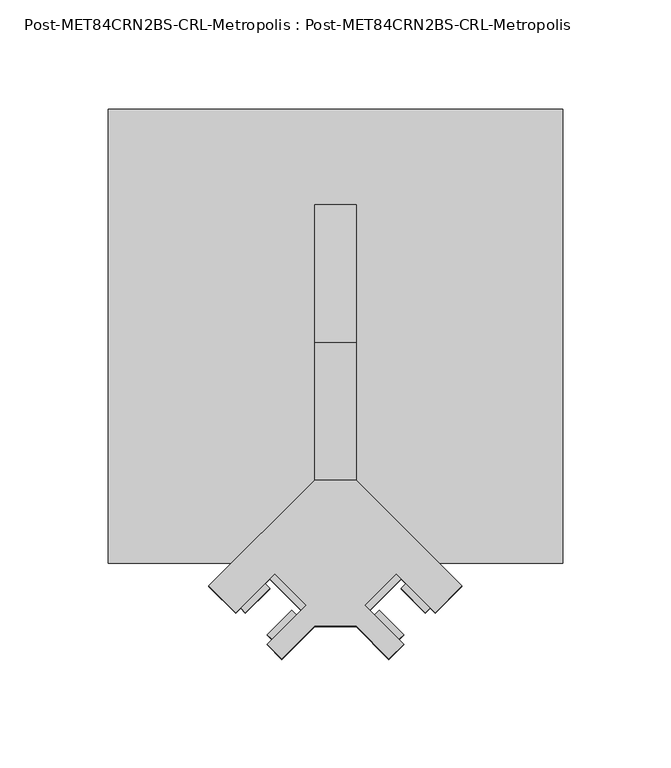
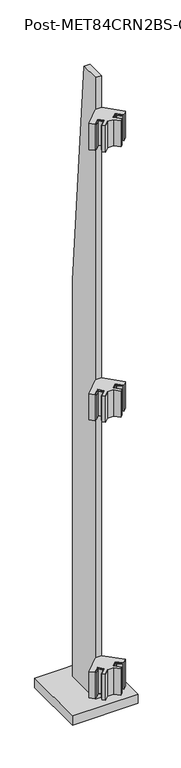
"""IFC4 building model written with IfcOpenShell, lengths in millimetres: proxy geometry, Post-MET84CRN2BS-CRL-Metropolis : Post-MET84CRN2BS-CRL-Metropolis."""

from ifc_helpers import new_model, si_unit, frame, origin, origin_with_axes, place, context, project, spatial, polyline, outline, extrude, source, transform, mapped, element, save


def post_met84crn2bs_crl_metropolis_post_met84crn2bs_crl_6fae2a08(model_context):
    return source(origin(), model_context, "Body", "SweptSolid", [
        extrude(outline(polyline([(31.4308964, -151.9874332), (24.6957043, -158.7226252), (9.525, -143.5519209), (-9.525, -143.5519209), (-24.6957043, -158.7226252), (-31.4308964, -151.9874332), (-13.4703842, -134.0269209), (-28.0633004, -119.4340047), (-46.0238126, -137.394517), (-58.3716648, -125.0466648), (-9.525, -76.2), (9.525, -76.2), (58.3716648, -125.0466648), (46.0238126, -137.394517), (28.0633004, -119.4340047), (13.4703842, -134.0269209), (31.4308964, -151.9874332)])), frame((0.0, 0.0, 1936.75), z_axis=(0.0, 0.0, 1.0), x_axis=(1.0, 0.0, 0.0)), (0.0, 0.0, 1.0), 88.9),
        extrude(outline(polyline([(-20.2055763, -136.2719849), (-17.9605122, -138.517049), (-29.1858324, -149.7423691), (-31.4308964, -147.4973051), (-20.2055763, -136.2719849)])), frame((0.0, 0.0, 1939.925), z_axis=(0.0, 0.0, 1.0), x_axis=(1.0, 0.0, 0.0)), (0.0, 0.0, 1.0), 82.55),
        extrude(outline(polyline([(-30.3083644, -126.1691968), (-41.5336846, -137.394517), (-43.7787486, -135.1494529), (-32.5534284, -123.9241328), (-30.3083644, -126.1691968)])), frame((0.0, 0.0, 1939.925), z_axis=(0.0, 0.0, 1.0), x_axis=(1.0, 0.0, 0.0)), (0.0, 0.0, 1.0), 82.55),
        extrude(outline(polyline([(-15.7154482, -136.2719849), (-30.3083644, -121.6790687), (-28.0633004, -119.4340047), (-13.4703842, -134.0269209), (-15.7154482, -136.2719849)])), frame((0.0, 0.0, 1939.925), z_axis=(0.0, 0.0, 1.0), x_axis=(1.0, 0.0, 0.0)), (0.0, 0.0, 1.0), 82.55),
        extrude(outline(polyline([(31.4308964, -147.4973051), (29.1858324, -149.7423691), (17.9605122, -138.517049), (20.2055763, -136.2719849), (31.4308964, -147.4973051)])), frame((0.0, 0.0, 1939.925), z_axis=(0.0, 0.0, 1.0), x_axis=(1.0, 0.0, 0.0)), (0.0, 0.0, 1.0), 82.55),
        extrude(outline(polyline([(30.3083644, -126.1691968), (32.5534284, -123.9241328), (43.7787486, -135.1494529), (41.5336846, -137.394517), (30.3083644, -126.1691968)])), frame((0.0, 0.0, 1939.925), z_axis=(0.0, 0.0, 1.0), x_axis=(1.0, 0.0, 0.0)), (0.0, 0.0, 1.0), 82.55),
        extrude(outline(polyline([(30.3083644, -121.6790687), (15.7154482, -136.2719849), (13.4703842, -134.0269209), (28.0633004, -119.4340047), (30.3083644, -121.6790687)])), frame((0.0, 0.0, 1939.925), z_axis=(0.0, 0.0, 1.0), x_axis=(1.0, 0.0, 0.0)), (0.0, 0.0, 1.0), 82.55),
        extrude(outline(polyline([(31.4308964, -151.9874332), (24.6957043, -158.7226252), (9.525, -143.5519209), (-9.525, -143.5519209), (-24.6957043, -158.7226252), (-31.4308964, -151.9874332), (-13.4703842, -134.0269209), (-28.0633004, -119.4340047), (-46.0238126, -137.394517), (-58.3716648, -125.0466648), (-9.525, -76.2), (9.525, -76.2), (58.3716648, -125.0466648), (46.0238126, -137.394517), (28.0633004, -119.4340047), (13.4703842, -134.0269209), (31.4308964, -151.9874332)])), frame((0.0, 0.0, 1022.35), z_axis=(0.0, 0.0, 1.0), x_axis=(1.0, 0.0, 0.0)), (0.0, 0.0, 1.0), 88.9),
        extrude(outline(polyline([(-20.2055763, -136.2719849), (-17.9605122, -138.517049), (-29.1858324, -149.7423691), (-31.4308964, -147.4973051), (-20.2055763, -136.2719849)])), frame((0.0, 0.0, 1025.525), z_axis=(0.0, 0.0, 1.0), x_axis=(1.0, 0.0, 0.0)), (0.0, 0.0, 1.0), 82.55),
        extrude(outline(polyline([(-30.3083644, -126.1691968), (-41.5336846, -137.394517), (-43.7787486, -135.1494529), (-32.5534284, -123.9241328), (-30.3083644, -126.1691968)])), frame((0.0, 0.0, 1025.525), z_axis=(0.0, 0.0, 1.0), x_axis=(1.0, 0.0, 0.0)), (0.0, 0.0, 1.0), 82.55),
        extrude(outline(polyline([(-15.7154482, -136.2719849), (-30.3083644, -121.6790687), (-28.0633004, -119.4340047), (-13.4703842, -134.0269209), (-15.7154482, -136.2719849)])), frame((0.0, 0.0, 1025.525), z_axis=(0.0, 0.0, 1.0), x_axis=(1.0, 0.0, 0.0)), (0.0, 0.0, 1.0), 82.55),
        extrude(outline(polyline([(31.4308964, -147.4973051), (29.1858324, -149.7423691), (17.9605122, -138.517049), (20.2055763, -136.2719849), (31.4308964, -147.4973051)])), frame((0.0, 0.0, 1025.525), z_axis=(0.0, 0.0, 1.0), x_axis=(1.0, 0.0, 0.0)), (0.0, 0.0, 1.0), 82.55),
        extrude(outline(polyline([(30.3083644, -126.1691968), (32.5534284, -123.9241328), (43.7787486, -135.1494529), (41.5336846, -137.394517), (30.3083644, -126.1691968)])), frame((0.0, 0.0, 1025.525), z_axis=(0.0, 0.0, 1.0), x_axis=(1.0, 0.0, 0.0)), (0.0, 0.0, 1.0), 82.55),
        extrude(outline(polyline([(30.3083644, -121.6790687), (15.7154482, -136.2719849), (13.4703842, -134.0269209), (28.0633004, -119.4340047), (30.3083644, -121.6790687)])), frame((0.0, 0.0, 1025.525), z_axis=(0.0, 0.0, 1.0), x_axis=(1.0, 0.0, 0.0)), (0.0, 0.0, 1.0), 82.55),
        extrude(outline(polyline([(31.4308964, -151.9874332), (24.6957043, -158.7226252), (9.525, -143.5519209), (-9.525, -143.5519209), (-24.6957043, -158.7226252), (-31.4308964, -151.9874332), (-13.4703842, -134.0269209), (-28.0633004, -119.4340047), (-46.0238126, -137.394517), (-58.3716648, -125.0466648), (-9.525, -76.2), (9.525, -76.2), (58.3716648, -125.0466648), (46.0238126, -137.394517), (28.0633004, -119.4340047), (13.4703842, -134.0269209), (31.4308964, -151.9874332)])), frame((0.0, 0.0, 82.55), z_axis=(0.0, 0.0, 1.0), x_axis=(1.0, 0.0, 0.0)), (0.0, 0.0, 1.0), 88.9),
        extrude(outline(polyline([(-20.2055763, -136.2719849), (-17.9605122, -138.517049), (-29.1858324, -149.7423691), (-31.4308964, -147.4973051), (-20.2055763, -136.2719849)])), frame((0.0, 0.0, 85.725), z_axis=(0.0, 0.0, 1.0), x_axis=(1.0, 0.0, 0.0)), (0.0, 0.0, 1.0), 82.55),
        extrude(outline(polyline([(-30.3083644, -126.1691968), (-41.5336846, -137.394517), (-43.7787486, -135.1494529), (-32.5534284, -123.9241328), (-30.3083644, -126.1691968)])), frame((0.0, 0.0, 85.725), z_axis=(0.0, 0.0, 1.0), x_axis=(1.0, 0.0, 0.0)), (0.0, 0.0, 1.0), 82.55),
        extrude(outline(polyline([(-15.7154482, -136.2719849), (-30.3083644, -121.6790687), (-28.0633004, -119.4340047), (-13.4703842, -134.0269209), (-15.7154482, -136.2719849)])), frame((0.0, 0.0, 85.725), z_axis=(0.0, 0.0, 1.0), x_axis=(1.0, 0.0, 0.0)), (0.0, 0.0, 1.0), 82.55),
        extrude(outline(polyline([(31.4308964, -147.4973051), (29.1858324, -149.7423691), (17.9605122, -138.517049), (20.2055763, -136.2719849), (31.4308964, -147.4973051)])), frame((0.0, 0.0, 85.725), z_axis=(0.0, 0.0, 1.0), x_axis=(1.0, 0.0, 0.0)), (0.0, 0.0, 1.0), 82.55),
        extrude(outline(polyline([(30.3083644, -126.1691968), (32.5534284, -123.9241328), (43.7787486, -135.1494529), (41.5336846, -137.394517), (30.3083644, -126.1691968)])), frame((0.0, 0.0, 85.725), z_axis=(0.0, 0.0, 1.0), x_axis=(1.0, 0.0, 0.0)), (0.0, 0.0, 1.0), 82.55),
        extrude(outline(polyline([(30.3083644, -121.6790687), (15.7154482, -136.2719849), (13.4703842, -134.0269209), (28.0633004, -119.4340047), (30.3083644, -121.6790687)])), frame((0.0, 0.0, 85.725), z_axis=(0.0, 0.0, 1.0), x_axis=(1.0, 0.0, 0.0)), (0.0, 0.0, 1.0), 82.55),
        extrude(outline(polyline([(50.8, 1371.6), (50.8, 0.0), (-76.2, 0.0), (-76.2, 2133.6), (-12.7, 2133.6), (50.8, 1371.6)])), frame((-9.525, 0.0, 0.0), z_axis=(1.0, 0.0, 0.0), x_axis=(0.0, 1.0, 0.0)), (0.0, 0.0, 1.0), 19.05),
        extrude(outline(polyline([(104.775, 95.25), (104.775, -114.3), (-104.775, -114.3), (-104.775, 95.25), (104.775, 95.25)])), origin_with_axes(), (0.0, 0.0, 1.0), 31.75),
    ])


if __name__ == "__main__":
    model = new_model("IFC4")
    model_context = context("Model", 3, world=origin())
    ifc_project = project(units=[si_unit("LENGTHUNIT", "METRE", prefix="MILLI")], contexts=[model_context])
    site = spatial("IfcSite", under=ifc_project)
    building = spatial("IfcBuilding", under=site)
    placement = place(None, origin())
    post_met84crn2bs_crl_metropolis_post_met84crn2bs_crl_shape = post_met84crn2bs_crl_metropolis_post_met84crn2bs_crl_6fae2a08(model_context)
    element("IfcBuildingElementProxy", 1, Name="Post-MET84CRN2BS-CRL-Metropolis : Post-MET84CRN2BS-CRL-Metropolis", ObjectType="Post-MET84CRN2BS-CRL-Metropolis : Post-MET84CRN2BS-CRL-Metropolis", at=placement, inside=building, context=model_context, shape_type="MappedRepresentation", body=[
        mapped(post_met84crn2bs_crl_metropolis_post_met84crn2bs_crl_shape, transform((0.0, 0.0, 0.0), x_axis=(1.0, 0.0, 0.0), y_axis=(0.0, 1.0, 0.0), z_axis=(0.0, 0.0, 1.0))),
    ])
    save(model, "model.ifc")
